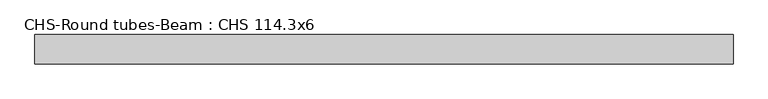
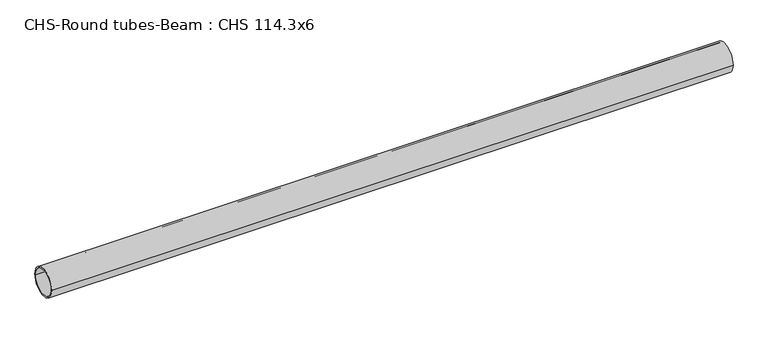
"""IFC4 building model written with IfcOpenShell, lengths in millimetres: beam geometry, CHS-Round tubes-Beam : CHS 114.3x6."""

from ifc_helpers import new_model, si_unit, point, frame, origin, origin_2d, place, context, project, spatial, circle_curve, trimmed, segment, composite_curve, outline, extrude, source, transform, mapped, element, save


def chs_round_tubes_beam_chs_114_3x6_24a41983(model_context):
    return source(origin(), model_context, "Body", "SweptSolid", [
        extrude(outline(composite_curve([segment(trimmed(circle_curve(origin_2d(), 57.15), [point((57.15, 0.0))], [point((-57.15, 0.0))], False, "CARTESIAN"), True, "CONTINUOUS"), segment(trimmed(circle_curve(origin_2d(), 57.15), [point((-57.15, 0.0))], [point((57.15, 0.0))], False, "CARTESIAN"), True, "CONTINUOUS")], self_intersect=False), holes=[composite_curve([segment(trimmed(circle_curve(origin_2d(), 51.15), [point((51.15, 0.0))], [point((-51.15, 0.0))], True, "CARTESIAN"), True, "CONTINUOUS"), segment(trimmed(circle_curve(origin_2d(), 51.15), [point((-51.15, 0.0))], [point((51.15, 0.0))], True, "CARTESIAN"), True, "CONTINUOUS")], self_intersect=False)]), frame((-1356.7004982, 0.0, 0.0), z_axis=(1.0, 0.0, 0.0), x_axis=(0.0, 1.0, 0.0)), (0.0, 0.0, 1.0), 2701.0593335),
    ])


if __name__ == "__main__":
    model = new_model("IFC4")
    model_context = context("Model", 3, world=origin())
    ifc_project = project(units=[si_unit("LENGTHUNIT", "METRE", prefix="MILLI")], contexts=[model_context])
    site = spatial("IfcSite", under=ifc_project)
    building = spatial("IfcBuilding", under=site)
    placement = place(None, origin())
    chs_round_tubes_beam_chs_114_3x6_shape = chs_round_tubes_beam_chs_114_3x6_24a41983(model_context)
    element("IfcBeam", 1, ObjectType="CHS-Round tubes-Beam : CHS 114.3x6", at=placement, inside=building, context=model_context, shape_type="MappedRepresentation", body=[
        mapped(chs_round_tubes_beam_chs_114_3x6_shape, transform((0.0, 0.0, 0.0), x_axis=(1.0, 0.0, 0.0), y_axis=(0.0, 1.0, 0.0), z_axis=(0.0, 0.0, 1.0))),
    ])
    save(model, "model.ifc")
